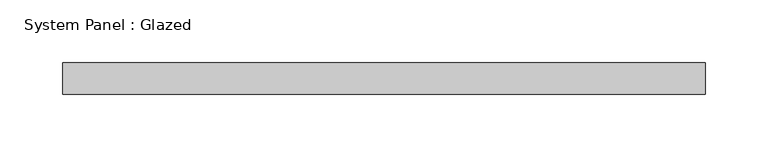
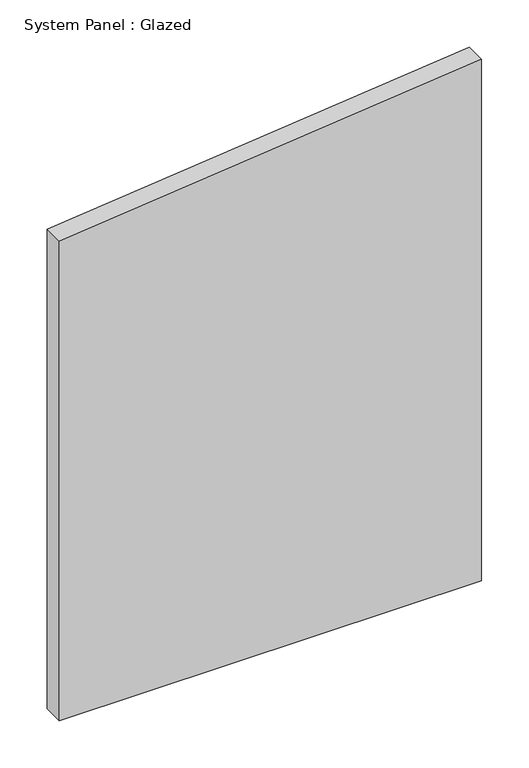
"""IFC4 building model written with IfcOpenShell, lengths in millimetres: plate geometry, System Panel : Glazed."""

from ifc_helpers import new_model, si_unit, frame, origin, place, context, project, spatial, polyline, outline, extrude, source, transform, mapped, element, save


def system_panel_glazed_ccff355c(model_context):
    return source(origin(), model_context, "Body", "SweptSolid", [
        extrude(outline(polyline([(0.0, -257.1750128), (0.0, 257.1750128), (671.1624434, 257.1750128), (616.8877207, -257.1750128), (0.0, -257.1750128)])), frame((0.0, 19.05, 0.0), z_axis=(0.0, 1.0, 0.0), x_axis=(0.0, 0.0, 1.0)), (0.0, 0.0, 1.0), 25.4),
    ])


if __name__ == "__main__":
    model = new_model("IFC4")
    model_context = context("Model", 3, world=origin())
    ifc_project = project(units=[si_unit("LENGTHUNIT", "METRE", prefix="MILLI")], contexts=[model_context])
    site = spatial("IfcSite", under=ifc_project)
    building = spatial("IfcBuilding", under=site)
    placement = place(None, origin())
    system_panel_glazed_shape = system_panel_glazed_ccff355c(model_context)
    element("IfcPlate", 1, ObjectType="System Panel : Glazed", at=placement, inside=building, context=model_context, shape_type="MappedRepresentation", body=[
        mapped(system_panel_glazed_shape, transform((0.0, 0.0, 0.0), x_axis=(1.0, 0.0, 0.0), y_axis=(0.0, 1.0, 0.0), z_axis=(0.0, 0.0, 1.0))),
    ])
    save(model, "model.ifc")
